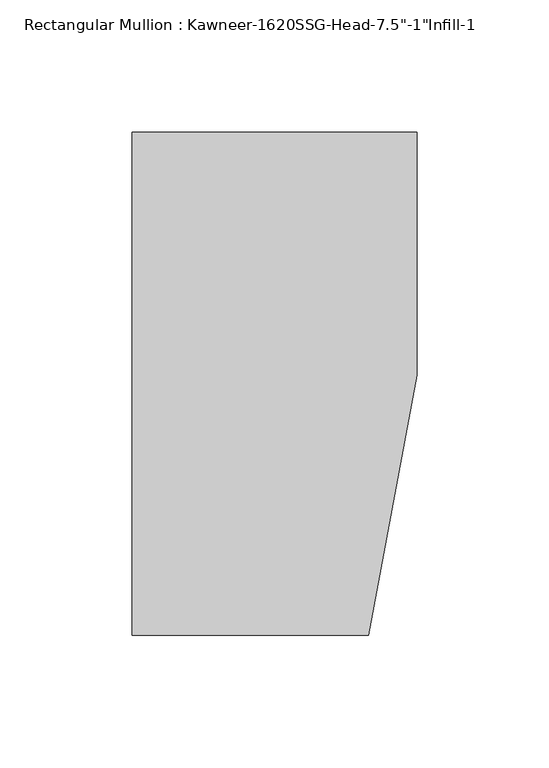
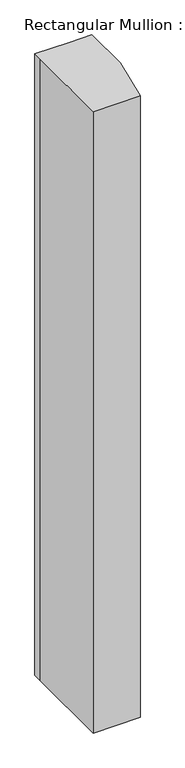
"""IFC4 building model written with IfcOpenShell, lengths in millimetres: member geometry."""

from ifc_helpers import new_model, si_unit, frame, origin, place, context, project, spatial, polyline, outline, extrude, source, transform, mapped, element, save


def member_d9ae8d03(model_context):
    return source(origin(), model_context, "Body", "SweptSolid", [
        extrude(outline(polyline([(-107.95, 19.9095466), (-107.95, 38.1), (-44.1519366, 38.1), (0.0, 38.1), (0.0, -53.975), (-18.3538271, -152.4), (-107.95, -152.4), (-107.95, 19.9095466)])), frame((0.0, 0.0, -1244.1321277), z_axis=(0.0, 0.0, 1.0), x_axis=(1.0, 0.0, 0.0)), (0.0, 0.0, 1.0), 1244.1321277),
    ])


if __name__ == "__main__":
    model = new_model("IFC4")
    model_context = context("Model", 3, world=origin())
    ifc_project = project(units=[si_unit("LENGTHUNIT", "METRE", prefix="MILLI")], contexts=[model_context])
    site = spatial("IfcSite", under=ifc_project)
    building = spatial("IfcBuilding", under=site)
    placement = place(None, origin())
    member_shape = member_d9ae8d03(model_context)
    element("IfcMember", 1, ObjectType="Rectangular Mullion : Kawneer-1620SSG-Head-7.5\"-1\"Infill-1", at=placement, inside=building, context=model_context, shape_type="MappedRepresentation", body=[
        mapped(member_shape, transform((0.0, 0.0, 0.0), x_axis=(1.0, 0.0, 0.0), y_axis=(0.0, 1.0, 0.0), z_axis=(0.0, 0.0, 1.0))),
    ])
    save(model, "model.ifc")
